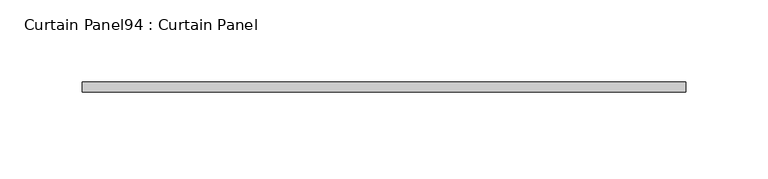
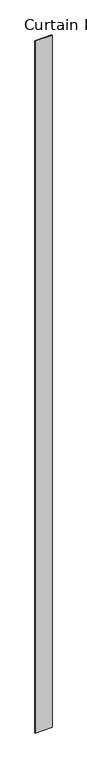
"""IFC4 building model written with IfcOpenShell, lengths in millimetres: plate geometry, Curtain Panel94 : Curtain Panel."""

import ifcopenshell
import ifcopenshell.guid

model = None  # the IFC model being written
_history = None  # IfcOwnerHistory: only IFC2X3 demands one
_inside = {}  # id of a spatial element -> (the spatial element, [elements in it])
_under = {}  # id of a project, library or spatial element -> (it, [spatial elements below it])
_declared = {}  # id of a project -> (the project, [libraries it declares])
_typed = {}  # id of a type object -> (the type object, [elements of that type])
_made_of = {}  # id of a material, layer set ... -> (it, [elements and type objects made of it])


def new_model(schema):
    """Start an empty IFC model of exactly this schema.

    Asked for "IFC4X3", IfcOpenShell would pick the latest addendum, in which some entities
    have other attributes; the version numbers below select the first issue.
    IFC2X3 requires an IfcOwnerHistory on every rooted entity: one is made here for all.
    """
    global model, _history
    if schema == "IFC4X3":
        model = ifcopenshell.file(schema_version=(4, 3, 0, 0))
    else:
        model = ifcopenshell.file(schema=schema)
    _inside.clear()
    _under.clear()
    _declared.clear()
    _typed.clear()
    _made_of.clear()
    _history = None
    if model.schema == "IFC2X3":
        org = make("IfcOrganization", Name="unknown")
        user = make(
            "IfcPersonAndOrganization",
            ThePerson=make("IfcPerson", FamilyName="unknown"),
            TheOrganization=org,
        )
        app = make(
            "IfcApplication",
            ApplicationDeveloper=org,
            Version="unknown",
            ApplicationFullName="unknown",
            ApplicationIdentifier="unknown",
        )
        _history = make(
            "IfcOwnerHistory",
            OwningUser=user,
            OwningApplication=app,
            ChangeAction="ADDED",
            CreationDate=0,
        )
    return model


def make(cls, **values):
    """One entity of the class cls with the attributes given. An attribute that is None is left unset."""
    return model.create_entity(
        cls, **{name: value for name, value in values.items() if value is not None}
    )


def rooted(cls, **values):
    """An entity with a GlobalId (a new one), such as an element, a storey or a relation."""
    return make(cls, GlobalId=ifcopenshell.guid.new(), OwnerHistory=_history, **values)


def si_unit(unit_type, name, prefix=None):
    """IfcSIUnit, for example si_unit("LENGTHUNIT", "METRE", prefix="MILLI")."""
    return make("IfcSIUnit", UnitType=unit_type, Prefix=prefix, Name=name)


def assignment(units):
    """IfcUnitAssignment: the units of a project."""
    return None if units is None else make("IfcUnitAssignment", Units=units)


def point(xyz):
    """IfcCartesianPoint."""
    return None if xyz is None else make("IfcCartesianPoint", Coordinates=xyz)


def direction(xyz):
    """IfcDirection."""
    return None if xyz is None else make("IfcDirection", DirectionRatios=xyz)


def frame(location, z_axis=None, x_axis=None):
    """IfcAxis2Placement3D, a coordinate frame: its origin and axes. An axis left out is left unset."""
    return make(
        "IfcAxis2Placement3D",
        Location=point(location),
        Axis=direction(z_axis),
        RefDirection=direction(x_axis),
    )


def origin():
    """The frame at (0, 0, 0) with its axes left unset."""
    return frame((0.0, 0.0, 0.0))


def place(relative_to, where):
    """IfcLocalPlacement: puts the frame where relative to a parent placement (None: the world)."""
    return make(
        "IfcLocalPlacement", PlacementRelTo=relative_to, RelativePlacement=where
    )


def context(
    kind, dimensions, precision=None, world=None, true_north=None, identifier=None
):
    """IfcGeometricRepresentationContext, for example the 3D "Model" context."""
    return make(
        "IfcGeometricRepresentationContext",
        ContextIdentifier=identifier,
        ContextType=kind,
        CoordinateSpaceDimension=dimensions,
        Precision=precision,
        WorldCoordinateSystem=world,
        TrueNorth=true_north,
    )


def project(units=None, contexts=None):
    """IfcProject with its units and contexts."""
    return rooted(
        "IfcProject",
        Name="project",
        RepresentationContexts=contexts,
        UnitsInContext=assignment(units),
    )


def spatial(cls, under=None, at=None, **own):
    """A site, building, storey or space (cls), placed at a placement, below another one or the project."""
    s = rooted(cls, ObjectPlacement=at, **own)
    if under is not None:
        _under.setdefault(under.id(), (under, []))[1].append(s)
    return s


def polyline(points):
    """IfcPolyline through the points."""
    return make("IfcPolyline", Points=[point(p) for p in points])


def outline(outer, holes=None, kind="AREA"):
    """IfcArbitraryClosedProfileDef: a profile drawn as a closed curve; with holes, ...WithVoids."""
    if holes is None:
        return make("IfcArbitraryClosedProfileDef", ProfileType=kind, OuterCurve=outer)
    return make(
        "IfcArbitraryProfileDefWithVoids",
        ProfileType=kind,
        OuterCurve=outer,
        InnerCurves=holes,
    )


def extrude(swept, where, along, depth):
    """IfcExtrudedAreaSolid: the profile swept, set in the frame where, extruded along a direction by depth."""
    return make(
        "IfcExtrudedAreaSolid",
        SweptArea=swept,
        Position=where,
        ExtrudedDirection=direction(along),
        Depth=depth,
    )


def shape(context_of_items, identifier, shape_type, items):
    """IfcShapeRepresentation: the items that make up one representation, for example the "Body"."""
    return make(
        "IfcShapeRepresentation",
        ContextOfItems=context_of_items,
        RepresentationIdentifier=identifier,
        RepresentationType=shape_type,
        Items=items,
    )


def source(mapping_origin, context_of_items, identifier, shape_type, items):
    """IfcRepresentationMap: a shape defined once, which mapped items show again and again."""
    return make(
        "IfcRepresentationMap",
        MappingOrigin=mapping_origin,
        MappedRepresentation=shape(context_of_items, identifier, shape_type, items),
    )


def transform(
    local_origin,
    x_axis=None,
    y_axis=None,
    z_axis=None,
    scale=None,
    scale2=None,
    scale3=None,
    uniform=True,
):
    """IfcCartesianTransformationOperator3D, or its non-uniform kind. x_axis, y_axis, z_axis: its Axis1, 2, 3."""
    if uniform:
        return make(
            "IfcCartesianTransformationOperator3D",
            Axis1=direction(x_axis),
            Axis2=direction(y_axis),
            LocalOrigin=point(local_origin),
            Scale=scale,
            Axis3=direction(z_axis),
        )
    return make(
        "IfcCartesianTransformationOperator3DnonUniform",
        Axis1=direction(x_axis),
        Axis2=direction(y_axis),
        LocalOrigin=point(local_origin),
        Scale=scale,
        Axis3=direction(z_axis),
        Scale2=scale2,
        Scale3=scale3,
    )


def mapped(mapping_source, mapping_target):
    """IfcMappedItem: shows the shape of a source again, moved by a transform."""
    return make(
        "IfcMappedItem", MappingSource=mapping_source, MappingTarget=mapping_target
    )


def made_of(thing, what):
    """Note that an element or type object is made of a material, layer set ...; save() writes the relation."""
    if what is not None:
        _made_of.setdefault(what.id(), (what, []))[1].append(thing)
    return thing


def element(
    cls,
    number,
    at=None,
    inside=None,
    cuts=None,
    type_object=None,
    material=None,
    context=None,
    identifier="Body",
    shape_type=None,
    held_by="IfcProductDefinitionShape",
    body=None,
    shapes=None,
    **own,
):
    """One element of the class cls, such as IfcWall. Its Tag is "e" and its number.

    at: its placement. inside: the storey or other place that contains it. cuts: it is an
    opening in that element (IfcRelVoidsElement). A single representation is given by context,
    identifier, shape_type and body (its items); several are given by shapes. held_by: the class
    of the entity that holds the representations. save() writes the other relations.
    """
    e = rooted(cls, Tag="e%d" % number, ObjectPlacement=at, **own)
    if body is not None:
        shapes = [shape(context, identifier, shape_type, body)]
    if shapes is not None:
        e.Representation = make(held_by, Representations=shapes)
    if inside is not None:
        _inside.setdefault(inside.id(), (inside, []))[1].append(e)
    if cuts is not None:
        rooted(
            "IfcRelVoidsElement", RelatingBuildingElement=cuts, RelatedOpeningElement=e
        )
    if type_object is not None:
        _typed.setdefault(type_object.id(), (type_object, []))[1].append(e)
    return made_of(e, material)


def aggregate(whole, parts):
    """IfcRelAggregates: a whole, such as a stair, and the parts it consists of."""
    return rooted("IfcRelAggregates", RelatingObject=whole, RelatedObjects=parts)


def save(model, path):
    """Write the relations noted so far, then the file.

    IfcRelAggregates (storeys below a building ...), IfcRelContainedInSpatialStructure (elements
    in a storey), IfcRelDefinesByType, IfcRelAssociatesMaterial and IfcRelDeclares: one each for
    every whole, place, type object, material and project.
    """
    for whole, parts in _under.values():
        aggregate(whole, parts)
    for where, things in _inside.values():
        rooted(
            "IfcRelContainedInSpatialStructure",
            RelatedElements=things,
            RelatingStructure=where,
        )
    for kind, things in _typed.values():
        rooted("IfcRelDefinesByType", RelatedObjects=things, RelatingType=kind)
    for what, things in _made_of.values():
        rooted("IfcRelAssociatesMaterial", RelatedObjects=things, RelatingMaterial=what)
    for by, libraries in _declared.values():
        rooted("IfcRelDeclares", RelatingContext=by, RelatedDefinitions=libraries)
    model.write(path)


def curtain_panel94_curtain_panel_5d047d9d(model_context):
    return source(origin(), model_context, "Body", "SweptSolid", [
        extrude(outline(polyline([(178435.7950674, 7971.4334949), (178067.8644731, 7971.4334949), (178067.8644731, 7977.7834949), (178435.7950674, 7977.7834949), (178435.7950674, 7971.4334949)])), frame((0.0, 0.0, 1433.7679301), z_axis=(0.0, 0.0, 1.0), x_axis=(1.0, 0.0, 0.0)), (0.0, 0.0, 1.0), 15837.0064664),
    ])


if __name__ == "__main__":
    model = new_model("IFC4")
    model_context = context("Model", 3, world=origin())
    ifc_project = project(units=[si_unit("LENGTHUNIT", "METRE", prefix="MILLI")], contexts=[model_context])
    site = spatial("IfcSite", under=ifc_project)
    building = spatial("IfcBuilding", under=site)
    placement = place(None, origin())
    curtain_panel94_curtain_panel_shape = curtain_panel94_curtain_panel_5d047d9d(model_context)
    element("IfcPlate", 1, ObjectType="Curtain Panel94 : Curtain Panel", at=placement, inside=building, context=model_context, shape_type="MappedRepresentation", body=[
        mapped(curtain_panel94_curtain_panel_shape, transform((0.0, 0.0, 0.0), x_axis=(1.0, 0.0, 0.0), y_axis=(0.0, 1.0, 0.0), z_axis=(0.0, 0.0, 1.0))),
    ])
    save(model, "model.ifc")
